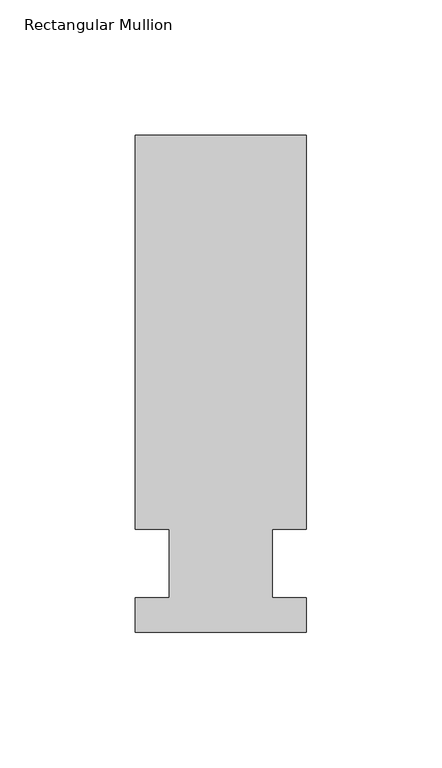
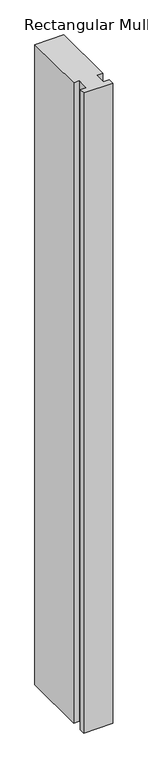
"""IFC4 building model written with IfcOpenShell, lengths in millimetres: member geometry, Rectangular Mullion."""

from ifc_helpers import new_model, si_unit, frame, origin, place, context, project, spatial, polyline, outline, extrude, source, transform, mapped, element, save


def rectangular_mullion_3483a2d9(model_context):
    return source(origin(), model_context, "Body", "SweptSolid", [
        extrude(outline(polyline([(36.0844027, 158.75), (36.0844027, 12.7), (23.3826322, 12.7), (23.3826322, -12.7), (36.0844027, -12.7), (36.0844027, -25.4), (-27.4155973, -25.4), (-27.4155973, -12.7), (-14.7155973, -12.7), (-14.7155973, 12.7), (-27.4155973, 12.7), (-27.4155973, 158.75), (36.0844027, 158.75)])), frame((0.0, 0.0, -1478.28), z_axis=(0.0, 0.0, 1.0), x_axis=(1.0, 0.0, 0.0)), (0.0, 0.0, 1.0), 1478.28),
    ])


if __name__ == "__main__":
    model = new_model("IFC4")
    model_context = context("Model", 3, world=origin())
    ifc_project = project(units=[si_unit("LENGTHUNIT", "METRE", prefix="MILLI")], contexts=[model_context])
    site = spatial("IfcSite", under=ifc_project)
    building = spatial("IfcBuilding", under=site)
    placement = place(None, origin())
    rectangular_mullion_shape = rectangular_mullion_3483a2d9(model_context)
    element("IfcMember", 1, ObjectType="Rectangular Mullion", at=placement, inside=building, context=model_context, shape_type="MappedRepresentation", body=[
        mapped(rectangular_mullion_shape, transform((0.0, 0.0, 0.0), x_axis=(1.0, 0.0, 0.0), y_axis=(0.0, 1.0, 0.0), z_axis=(0.0, 0.0, 1.0))),
    ])
    save(model, "model.ifc")
